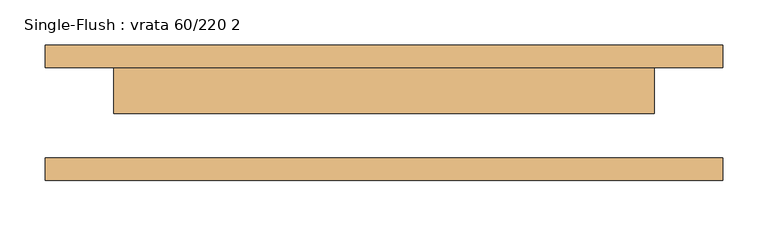
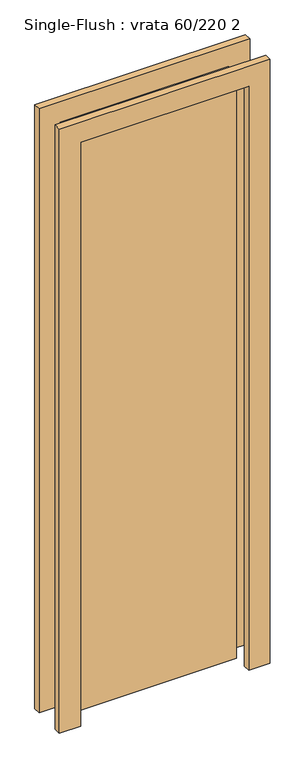
"""IFC4 building model written with IfcOpenShell, lengths in millimetres: door geometry, Single-Flush : vrata 60/220 2."""

from ifc_helpers import new_model, si_unit, frame, origin, origin_with_axes, place, context, project, spatial, polyline, outline, extrude, source, transform, mapped, element, save


def single_flush_vrata_60_220_2_279f2c26(model_context):
    return source(origin(), model_context, "Body", "SweptSolid", [
        extrude(outline(polyline([(2276.2, -376.2), (0.0, -376.2), (0.0, -300.0), (2200.0, -300.0), (2200.0, 300.0), (0.0, 300.0), (0.0, 376.2), (2276.2, 376.2), (2276.2, -376.2)])), frame((0.0, 50.0, 0.0), z_axis=(0.0, 1.0, 0.0), x_axis=(0.0, 0.0, 1.0)), (0.0, 0.0, 1.0), 25.4),
        extrude(outline(polyline([(2276.2, 376.2), (2276.2, -376.2), (0.0, -376.2), (0.0, -300.0), (2200.0, -300.0), (2200.0, 300.0), (0.0, 300.0), (0.0, 376.2), (2276.2, 376.2)])), frame((0.0, -75.4, 0.0), z_axis=(0.0, 1.0, 0.0), x_axis=(0.0, 0.0, 1.0)), (0.0, 0.0, 1.0), 25.4),
        extrude(outline(polyline([(300.0, -0.8), (-300.0, -0.8), (-300.0, 50.0), (300.0, 50.0), (300.0, -0.8)])), origin_with_axes(), (0.0, 0.0, 1.0), 2200.0),
    ])


if __name__ == "__main__":
    model = new_model("IFC4")
    model_context = context("Model", 3, world=origin())
    ifc_project = project(units=[si_unit("LENGTHUNIT", "METRE", prefix="MILLI")], contexts=[model_context])
    site = spatial("IfcSite", under=ifc_project)
    building = spatial("IfcBuilding", under=site)
    placement = place(None, origin())
    single_flush_vrata_60_220_2_shape = single_flush_vrata_60_220_2_279f2c26(model_context)
    element("IfcDoor", 1, ObjectType="Single-Flush : vrata 60/220 2", at=placement, inside=building, context=model_context, shape_type="MappedRepresentation", body=[
        mapped(single_flush_vrata_60_220_2_shape, transform((0.0, 0.0, 0.0), x_axis=(1.0, 0.0, 0.0), y_axis=(0.0, 1.0, 0.0), z_axis=(0.0, 0.0, 1.0))),
    ])
    save(model, "model.ifc")
